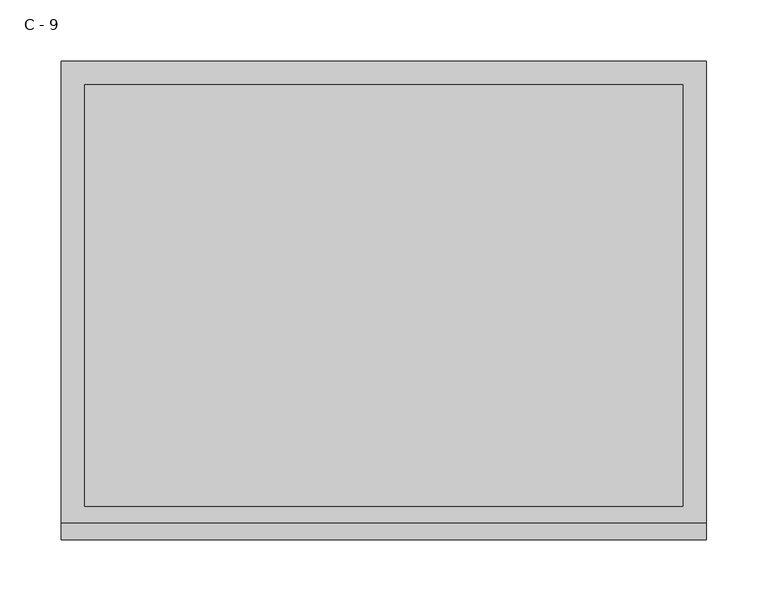
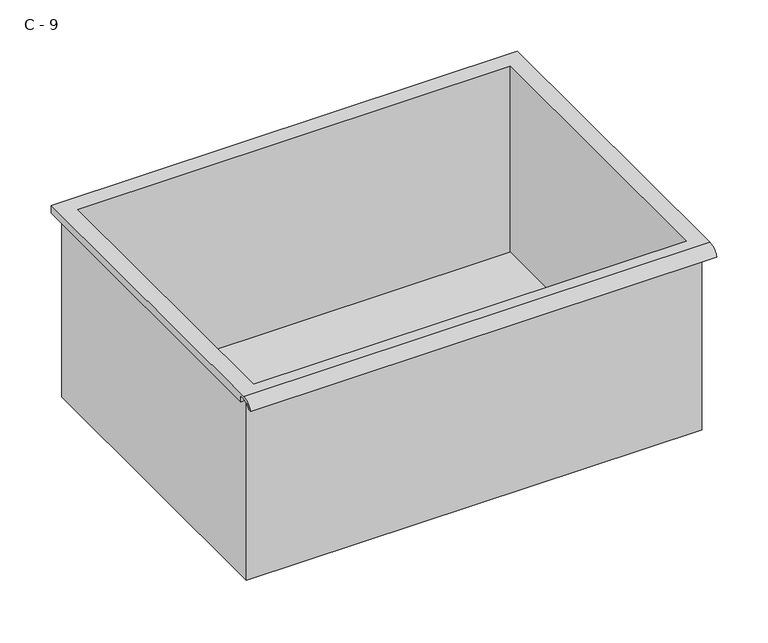
"""IFC4 building model written with IfcOpenShell, lengths in millimetres: furniture geometry, C - 9."""

from ifc_helpers import new_model, si_unit, frame, origin, place, context, project, spatial, polyline, circle_curve, source, transform, mapped, element, save
from ifc_brep_helpers import plane_surface, cylinder_surface, revolved_surface, advanced_brep


def c_9_eb54801b(model_context):
    return source(origin(), model_context, "Body", "AdvancedBrep", [
        advanced_brep(
        [(-257.1076517, -176.2125, 437.34482), (257.2423483, -176.2125, 437.34482), (257.2423483, -176.2125, 653.24482), (263.5923483, -176.2125, 653.24482), (263.5923483, -176.2125, 659.5519541), (-263.4576517, -176.2125, 659.5519541), (-263.4576517, -176.2125, 653.24482), (-257.1076517, -176.2125, 653.24482), (257.2423483, 185.7375, 437.34482), (-257.1076517, 185.7375, 437.34482), (-257.1076517, 185.7375, 653.24482), (257.2423483, 185.7375, 653.24482), (263.5923483, -181.6070544, 662.76982), (263.5923483, 195.2625, 662.76982), (-263.4576517, 195.2625, 662.76982), (-263.4576517, -181.6070544, 662.76982), (244.5423483, -168.275, 662.76982), (-244.4076517, -168.275, 662.76982), (-244.4076517, 176.2125, 662.76982), (244.5423483, 176.2125, 662.76982), (263.5923483, -195.2625, 653.24482), (263.5923483, -191.8280601, 653.24482), (263.5923483, -180.4714815, 659.5519541), (263.5923483, 195.2625, 653.24482), (-263.4576517, 195.2625, 653.24482), (-263.4576517, -180.4714815, 659.5519541), (-263.4576517, -191.8280601, 653.24482), (-263.4576517, -195.2625, 653.24482), (-244.4076517, -168.275, 440.3709919), (244.5423483, -168.275, 440.3709919), (244.5423483, 176.2125, 440.3709919), (-244.4076517, 176.2125, 440.3709919)],
        [
            (0, 1),
            (1, 2),
            (2, 3),
            (3, 4),
            (4, 5),
            (5, 6),
            (6, 7),
            (7, 0),
            (8, 9),
            (9, 10),
            (10, 11),
            (11, 8),
            (0, 9),
            (8, 1),
            (11, 2),
            (12, 13),
            (13, 14),
            (14, 15),
            (15, 12),
            (16, 17),
            (17, 18),
            (18, 19),
            (19, 16),
            (7, 10),
            (12, 20, circle_curve(frame((263.5923483, -181.6070544, 648.2188059), z_axis=(1.0, 0.0, 0.0), x_axis=(0.0, 1.0, 0.0)), 14.5510141)),
            (20, 21),
            (21, 22, circle_curve(frame((263.5923483, -181.6070544, 648.2188059), z_axis=(-1.0, 0.0, 0.0), x_axis=(0.0, 1.0, 0.0)), 11.3898979)),
            (22, 4),
            (3, 23),
            (23, 13),
            (14, 24),
            (24, 6),
            (5, 25),
            (25, 26, circle_curve(frame((-263.4576517, -181.6070544, 648.2188059), z_axis=(1.0, 0.0, 0.0), x_axis=(0.0, 1.0, 0.0)), 11.3898979)),
            (26, 27),
            (27, 15, circle_curve(frame((-263.4576517, -181.6070544, 648.2188059), z_axis=(-1.0, 0.0, 0.0), x_axis=(0.0, 1.0, 0.0)), 14.5510141)),
            (27, 20),
            (26, 21),
            (25, 22),
            (24, 23),
            (28, 29),
            (29, 30),
            (30, 31),
            (31, 28),
            (28, 17),
            (16, 29),
            (19, 30),
            (18, 31),
        ],
        [
            plane_surface(frame((257.2423483, -176.2125, 437.34482), z_axis=(0.0, -1.0, 0.0), x_axis=(1.0, 0.0, 0.0))),
            plane_surface(frame((257.2423483, 185.7375, 437.34482), z_axis=(0.0, 1.0, 0.0), x_axis=(-1.0, 0.0, 0.0))),
            plane_surface(frame((-257.1076517, -176.2125, 437.34482), z_axis=(0.0, 0.0, -1.0), x_axis=(0.0, 1.0, 0.0))),
            plane_surface(frame((257.2423483, -176.2125, 437.34482), z_axis=(1.0, 0.0, 0.0), x_axis=(0.0, 1.0, 0.0))),
            plane_surface(frame((257.2423483, -176.2125, 662.76982), z_axis=(0.0, 0.0, 1.0), x_axis=(0.0, 1.0, 0.0))),
            plane_surface(frame((-257.1076517, -176.2125, 662.76982), z_axis=(-1.0, 0.0, 0.0), x_axis=(0.0, 1.0, 0.0))),
            plane_surface(frame((263.5923483, 195.2625, 662.76982), z_axis=(1.0, 0.0, 0.0), x_axis=(0.0, -1.0, 0.0))),
            plane_surface(frame((-263.4576517, 195.2625, 662.76982), z_axis=(-1.0, 0.0, 0.0), x_axis=(0.0, 1.0, 0.0))),
            cylinder_surface(frame((-263.4576517, -181.6070544, 648.2188059), z_axis=(1.0, 0.0, 0.0), x_axis=(0.0, 1.0, 0.0)), 14.5510141),
            plane_surface(frame((263.5923483, -195.2625, 653.24482), z_axis=(0.0, -7.172997036885015e-12, -1.0), x_axis=(-1.0, 0.0, 0.0))),
            revolved_surface(polyline([(-263.4576517, -170.21715650000002, 648.2188059), (263.59234829999997, -170.21715650000002, 648.2188059)]), (-263.4576517, -181.6070544, 648.2188059), (-1.0, 0.0, 0.0)),
            plane_surface(frame((263.5923483, -180.4714815, 659.5519541), z_axis=(0.0, -1.7766064657785458e-11, -1.0), x_axis=(-1.0, 0.0, 0.0))),
            plane_surface(frame((263.5923483, -176.2125, 653.24482), z_axis=(0.0, 0.0, -1.0), x_axis=(-1.0, 0.0, 0.0))),
            plane_surface(frame((263.5923483, 195.2625, 653.24482), z_axis=(0.0, 1.0, 0.0), x_axis=(-1.0, 0.0, 0.0))),
            plane_surface(frame((244.5423483, -168.275, 440.3709919), z_axis=(0.0, 0.0, 1.0), x_axis=(-1.0, 0.0, 0.0))),
            plane_surface(frame((-244.4076517, -168.275, 662.76982), z_axis=(0.0, 1.0, 0.0), x_axis=(0.0, 0.0, -1.0))),
            plane_surface(frame((244.5423483, -168.275, 662.76982), z_axis=(-1.0, 0.0, 0.0), x_axis=(0.0, 0.0, -1.0))),
            plane_surface(frame((244.5423483, 176.2125, 662.76982), z_axis=(0.0, -1.0, 0.0), x_axis=(0.0, 0.0, -1.0))),
            plane_surface(frame((-244.4076517, 176.2125, 662.76982), z_axis=(1.0, 0.0, 0.0), x_axis=(0.0, 0.0, -1.0))),
        ],
        [
            (0, [[1, 2, 3, 4, 5, 6, 7, 8]]),
            (1, [[9, 10, 11, 12]]),
            (2, [[-1, 13, -9, 14]]),
            (3, [[-14, -12, 15, -2]]),
            (4, [[16, 17, 18, 19], [20, 21, 22, 23]]),
            (5, [[-13, -8, 24, -10]]),
            (6, [[-16, 25, 26, 27, 28, -4, 29, 30]]),
            (7, [[31, 32, -6, 33, 34, 35, 36, -18]]),
            (8, [[-25, -19, -36, 37]]),
            (9, [[-26, -37, -35, 38]]),
            (10, [[-27, -38, -34, 39]]),
            (11, [[-28, -39, -33, -5]]),
            (12, [[-29, -3, -15, -11, -24, -7, -32, 40]]),
            (13, [[-30, -40, -31, -17]]),
            (14, [[41, 42, 43, 44]]),
            (15, [[-41, 45, -20, 46]]),
            (16, [[-42, -46, -23, 47]]),
            (17, [[-43, -47, -22, 48]]),
            (18, [[-44, -48, -21, -45]]),
        ],
    ),
    ])


if __name__ == "__main__":
    model = new_model("IFC4")
    model_context = context("Model", 3, world=origin())
    ifc_project = project(units=[si_unit("LENGTHUNIT", "METRE", prefix="MILLI")], contexts=[model_context])
    site = spatial("IfcSite", under=ifc_project)
    building = spatial("IfcBuilding", under=site)
    placement = place(None, origin())
    c_9_shape = c_9_eb54801b(model_context)
    element("IfcFurniture", 1, ObjectType="C - 9", at=placement, inside=building, context=model_context, shape_type="MappedRepresentation", body=[
        mapped(c_9_shape, transform((0.0, 0.0, 0.0), x_axis=(1.0, 0.0, 0.0), y_axis=(0.0, 1.0, 0.0), z_axis=(0.0, 0.0, 1.0))),
    ])
    save(model, "model.ifc")
